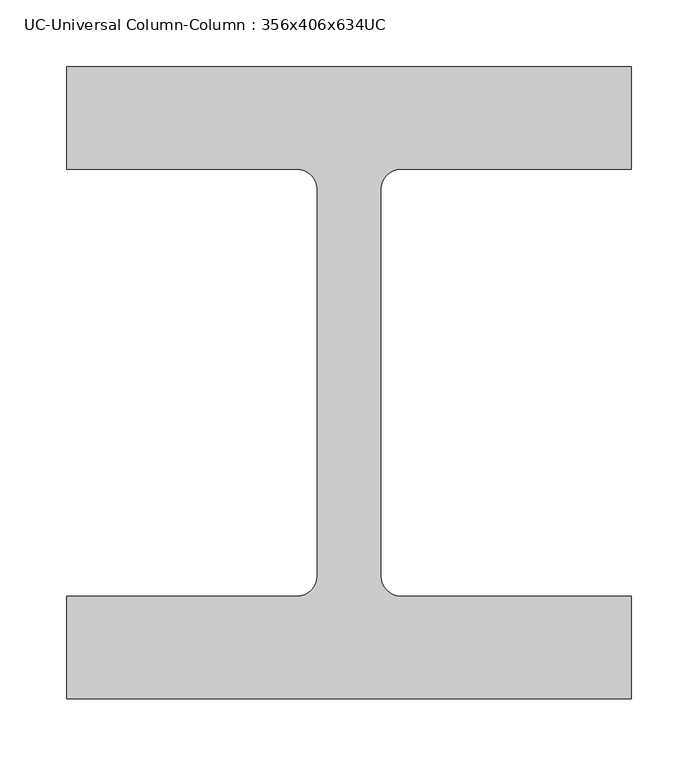
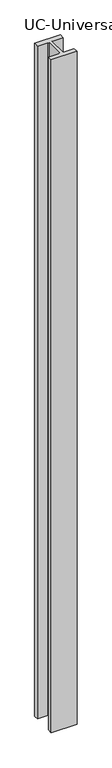
"""IFC4 building model written with IfcOpenShell, lengths in millimetres: column geometry, UC-Universal Column-Column : 356x406x634UC."""

from ifc_helpers import new_model, si_unit, point, frame, frame_2d, origin, place, context, project, spatial, polyline, circle_curve, trimmed, segment, composite_curve, outline, extrude, source, transform, mapped, element, save


def uc_universal_column_column_356x406x634uc_2f2ff82a(model_context):
    return source(origin(), model_context, "Body", "SweptSolid", [
        extrude(outline(composite_curve([segment(polyline([(212.0, 237.3), (212.0, 160.3), (39.0, 160.3)]), True, "CONTINUOUS"), segment(trimmed(circle_curve(frame_2d((39.0, 145.1)), 15.2), [point((39.0, 160.3))], [point((23.8, 145.1))], True, "CARTESIAN"), True, "CONTINUOUS"), segment(polyline([(23.8, 145.1), (23.8, -145.1)]), True, "CONTINUOUS"), segment(trimmed(circle_curve(frame_2d((39.0, -145.1)), 15.2), [point((23.8, -145.1))], [point((39.0, -160.3))], True, "CARTESIAN"), True, "CONTINUOUS"), segment(polyline([(39.0, -160.3), (212.0, -160.3), (212.0, -237.3), (-212.0, -237.3), (-212.0, -160.3), (-39.0, -160.3)]), True, "CONTINUOUS"), segment(trimmed(circle_curve(frame_2d((-39.0, -145.1)), 15.2), [point((-39.0, -160.3))], [point((-23.8, -145.1))], True, "CARTESIAN"), True, "CONTINUOUS"), segment(polyline([(-23.8, -145.1), (-23.8, 145.1)]), True, "CONTINUOUS"), segment(trimmed(circle_curve(frame_2d((-39.0, 145.1)), 15.2), [point((-23.8, 145.1))], [point((-39.0, 160.3))], True, "CARTESIAN"), True, "CONTINUOUS"), segment(polyline([(-39.0, 160.3), (-212.0, 160.3), (-212.0, 237.3), (212.0, 237.3)]), True, "CONTINUOUS")], self_intersect=False)), frame((0.0, 0.0, 1200.0), z_axis=(0.0, 0.0, 1.0), x_axis=(1.0, 0.0, 0.0)), (0.0, 0.0, 1.0), 11762.0),
    ])


if __name__ == "__main__":
    model = new_model("IFC4")
    model_context = context("Model", 3, world=origin())
    ifc_project = project(units=[si_unit("LENGTHUNIT", "METRE", prefix="MILLI")], contexts=[model_context])
    site = spatial("IfcSite", under=ifc_project)
    building = spatial("IfcBuilding", under=site)
    placement = place(None, origin())
    uc_universal_column_column_356x406x634uc_shape = uc_universal_column_column_356x406x634uc_2f2ff82a(model_context)
    element("IfcColumn", 1, ObjectType="UC-Universal Column-Column : 356x406x634UC", at=placement, inside=building, context=model_context, shape_type="MappedRepresentation", body=[
        mapped(uc_universal_column_column_356x406x634uc_shape, transform((0.0, 0.0, 0.0), x_axis=(1.0, 0.0, 0.0), y_axis=(0.0, 1.0, 0.0), z_axis=(0.0, 0.0, 1.0))),
    ])
    save(model, "model.ifc")
